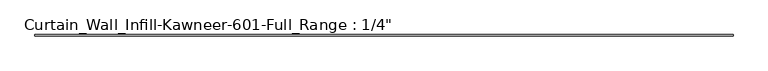
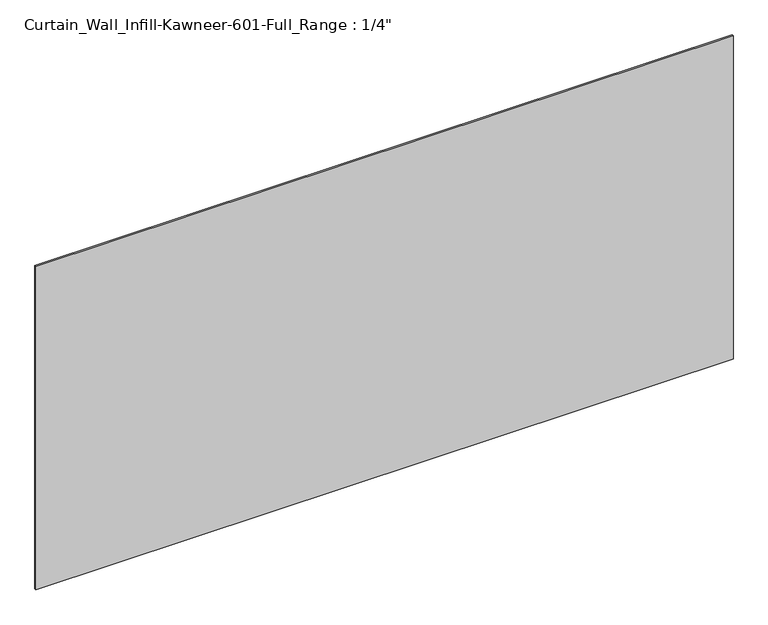
"""IFC4 building model written with IfcOpenShell, lengths in millimetres: plate geometry."""

from ifc_helpers import new_model, si_unit, frame, origin, place, context, project, spatial, polyline, outline, extrude, source, transform, mapped, element, save


def plate_77f6c4af(model_context):
    return source(origin(), model_context, "Body", "SweptSolid", [
        extrude(outline(polyline([(-1492.25, 0.0), (-1492.25, 6.35), (1473.2, 6.35), (1473.2, 0.0), (-1492.25, 0.0)])), frame((0.0, 0.0, -9.525), z_axis=(0.0, 0.0, 1.0), x_axis=(1.0, 0.0, 0.0)), (0.0, 0.0, 1.0), 1454.15),
    ])


if __name__ == "__main__":
    model = new_model("IFC4")
    model_context = context("Model", 3, world=origin())
    ifc_project = project(units=[si_unit("LENGTHUNIT", "METRE", prefix="MILLI")], contexts=[model_context])
    site = spatial("IfcSite", under=ifc_project)
    building = spatial("IfcBuilding", under=site)
    placement = place(None, origin())
    plate_shape = plate_77f6c4af(model_context)
    element("IfcPlate", 1, ObjectType="Curtain_Wall_Infill-Kawneer-601-Full_Range : 1/4\"", at=placement, inside=building, context=model_context, shape_type="MappedRepresentation", body=[
        mapped(plate_shape, transform((0.0, 0.0, 0.0), x_axis=(1.0, 0.0, 0.0), y_axis=(0.0, 1.0, 0.0), z_axis=(0.0, 0.0, 1.0))),
    ])
    save(model, "model.ifc")
